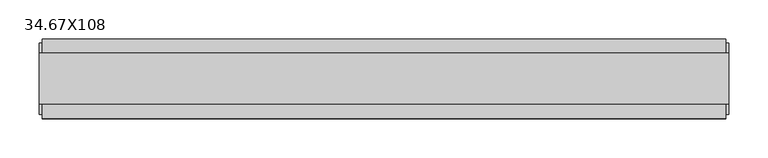
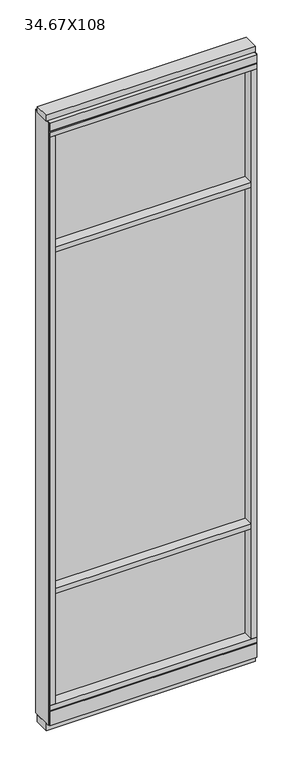
"""IFC4 building model written with IfcOpenShell, lengths in millimetres: furniture geometry, 34.67X108."""

from ifc_helpers import new_model, si_unit, frame, origin, origin_with_axes, place, context, project, spatial, polyline, outline, extrude, source, transform, mapped, element, save


def furniture_34_67x108_1508e0e0(model_context):
    return source(origin(), model_context, "Body", "SweptSolid", [
        extrude(outline(polyline([(-474.1835229, 0.5622784), (354.1104771, 0.5622784), (354.1104771, -9.5977216), (-474.1835229, -9.5977216), (-474.1835229, 0.5622784)])), frame((0.0, 0.0, 2155.825), z_axis=(0.0, 0.0, 1.0), x_axis=(1.0, 0.0, 0.0)), (0.0, 0.0, 1.0), 498.475),
        extrude(outline(polyline([(-474.1835229, 0.5622784), (354.1104771, 0.5622784), (354.1104771, -9.5977216), (-474.1835229, -9.5977216), (-474.1835229, 0.5622784)])), frame((0.0, 0.0, 631.825), z_axis=(0.0, 0.0, 1.0), x_axis=(1.0, 0.0, 0.0)), (0.0, 0.0, 1.0), 1501.775),
        extrude(outline(polyline([(-474.1835229, -52.3332216), (-474.1835229, 43.2977784), (354.1104771, 43.2977784), (354.1104771, -52.3332216), (-474.1835229, -52.3332216)])), frame((0.0, 0.0, 2133.6), z_axis=(0.0, 0.0, 1.0), x_axis=(1.0, 0.0, 0.0)), (0.0, 0.0, 1.0), 22.225),
        extrude(outline(polyline([(-474.1835229, -52.3332216), (-474.1835229, 43.2977784), (354.1104771, 43.2977784), (354.1104771, -52.3332216), (-474.1835229, -52.3332216)])), frame((0.0, 0.0, 609.6), z_axis=(0.0, 0.0, 1.0), x_axis=(1.0, 0.0, 0.0)), (0.0, 0.0, 1.0), 22.225),
        extrude(outline(polyline([(354.1104771, -9.5977216), (-474.1835229, -9.5977216), (-474.1835229, 0.5622784), (354.1104771, 0.5622784), (354.1104771, -9.5977216)])), frame((0.0, 0.0, 120.523), z_axis=(0.0, 0.0, 1.0), x_axis=(1.0, 0.0, 0.0)), (0.0, 0.0, 1.0), 489.077),
        extrude(outline(polyline([(-55.3177216, 93.345), (-50.3647216, 93.345), (-50.3647216, 98.298), (41.3292784, 98.298), (41.3292784, 93.345), (46.2822784, 93.345), (46.2822784, 31.75), (-55.3177216, 31.75), (-55.3177216, 93.345)])), frame((-496.4085229, 0.0, 0.0), z_axis=(1.0, 0.0, 0.0), x_axis=(0.0, 1.0, 0.0)), (0.0, 0.0, 1.0), 872.744),
        extrude(outline(polyline([(-496.4085229, -55.3177216), (-496.4085229, 46.2822784), (376.3354771, 46.2822784), (376.3354771, -55.3177216), (-496.4085229, -55.3177216)])), frame((0.0, 0.0, 98.298), z_axis=(0.0, 0.0, 1.0), x_axis=(1.0, 0.0, 0.0)), (0.0, 0.0, 1.0), 22.225),
        extrude(outline(polyline([(380.2724771, 27.9942784), (380.2724771, -37.0297216), (-500.3455229, -37.0297216), (-500.3455229, 27.9942784), (380.2724771, 27.9942784)])), origin_with_axes(), (0.0, 0.0, 1.0), 31.75),
        extrude(outline(polyline([(-500.3455229, -37.0297216), (-500.3455229, 27.9942784), (380.2724771, 27.9942784), (380.2724771, -37.0297216), (-500.3455229, -37.0297216)])), frame((0.0, 0.0, 2717.8), z_axis=(0.0, 0.0, 1.0), x_axis=(1.0, 0.0, 0.0)), (0.0, 0.0, 1.0), 25.4),
        extrude(outline(polyline([(-55.3177216, 2681.478), (-55.3177216, 2717.8), (46.2822784, 2717.8), (46.2822784, 2681.478), (41.3292784, 2681.478), (41.3292784, 2676.525), (-50.3647216, 2676.525), (-50.3647216, 2681.478), (-55.3177216, 2681.478)])), frame((-496.4085229, 0.0, 0.0), z_axis=(1.0, 0.0, 0.0), x_axis=(0.0, 1.0, 0.0)), (0.0, 0.0, 1.0), 872.744),
        extrude(outline(polyline([(376.3354771, 46.2822784), (376.3354771, -55.3177216), (-496.4085229, -55.3177216), (-496.4085229, 46.2822784), (376.3354771, 46.2822784)])), frame((0.0, 0.0, 2654.3), z_axis=(0.0, 0.0, 1.0), x_axis=(1.0, 0.0, 0.0)), (0.0, 0.0, 1.0), 22.225),
        extrude(outline(polyline([(354.1104771, -55.3177216), (354.1104771, 46.2822784), (376.3354771, 46.2822784), (376.3354771, -55.3177216), (354.1104771, -55.3177216)])), frame((0.0, 0.0, 120.523), z_axis=(0.0, 0.0, 1.0), x_axis=(1.0, 0.0, 0.0)), (0.0, 0.0, 1.0), 2533.777),
        extrude(outline(polyline([(-474.1835229, -55.3177216), (-496.4085229, -55.3177216), (-496.4085229, 46.2822784), (-474.1835229, 46.2822784), (-474.1835229, -55.3177216)])), frame((0.0, 0.0, 120.523), z_axis=(0.0, 0.0, 1.0), x_axis=(1.0, 0.0, 0.0)), (0.0, 0.0, 1.0), 2533.777),
        extrude(outline(polyline([(380.2724771, -50.3647216), (376.3354771, -50.3647216), (376.3354771, 41.3292784), (380.2724771, 41.3292784), (380.2724771, -50.3647216)])), frame((0.0, 0.0, 31.75), z_axis=(0.0, 0.0, 1.0), x_axis=(1.0, 0.0, 0.0)), (0.0, 0.0, 1.0), 2686.05),
        extrude(outline(polyline([(-500.3455229, -50.3647216), (-500.3455229, 41.3292784), (-496.4085229, 41.3292784), (-496.4085229, -50.3647216), (-500.3455229, -50.3647216)])), frame((0.0, 0.0, 31.75), z_axis=(0.0, 0.0, 1.0), x_axis=(1.0, 0.0, 0.0)), (0.0, 0.0, 1.0), 2686.05),
    ])


if __name__ == "__main__":
    model = new_model("IFC4")
    model_context = context("Model", 3, world=origin())
    ifc_project = project(units=[si_unit("LENGTHUNIT", "METRE", prefix="MILLI")], contexts=[model_context])
    site = spatial("IfcSite", under=ifc_project)
    building = spatial("IfcBuilding", under=site)
    placement = place(None, origin())
    furniture_34_67x108_shape = furniture_34_67x108_1508e0e0(model_context)
    element("IfcFurniture", 1, ObjectType="34.67X108", at=placement, inside=building, context=model_context, shape_type="MappedRepresentation", body=[
        mapped(furniture_34_67x108_shape, transform((0.0, 0.0, 0.0), x_axis=(1.0, 0.0, 0.0), y_axis=(0.0, 1.0, 0.0), z_axis=(0.0, 0.0, 1.0))),
    ])
    save(model, "model.ifc")
